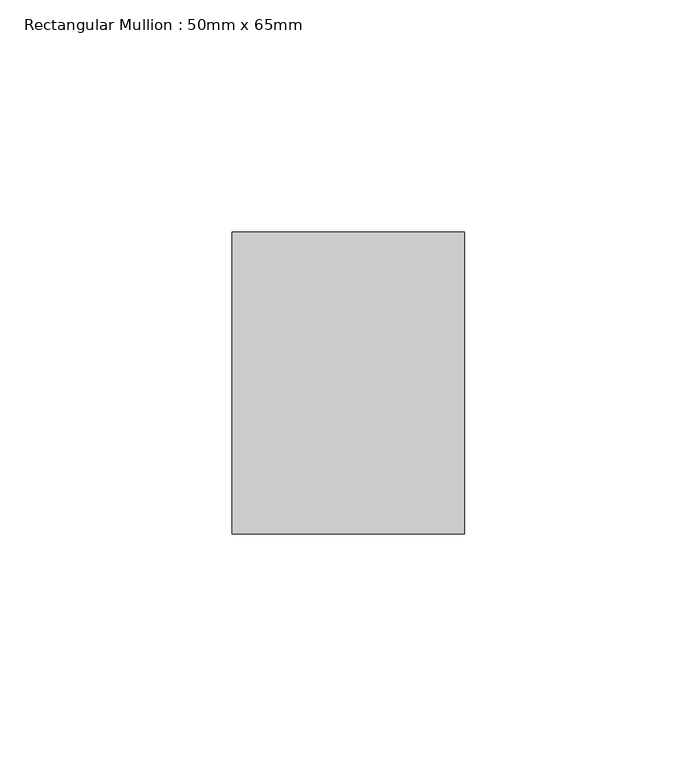
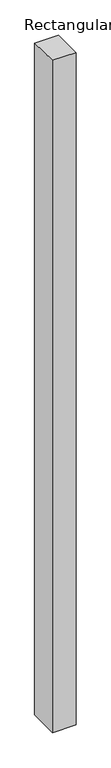
"""IFC4 building model written with IfcOpenShell, lengths in millimetres: member geometry, Rectangular Mullion : 50mm x 65mm."""

from ifc_helpers import new_model, si_unit, origin, place, context, project, spatial, faceted_brep, source, transform, mapped, element, save


def rectangular_mullion_50mm_x_65mm_fd317973(model_context):
    return source(origin(), model_context, "Body", "Brep", [
        faceted_brep([(-25.0, 32.5, -0.3536718), (25.0, 32.5, -0.353669), (25.0, 32.5, -1499.5481081), (-25.0, 32.5, -1499.5481045), (-25.0, -32.5, 0.353669), (-25.0, -32.5, -1500.4517341), (25.0, -32.5, 0.3536718), (25.0, -32.5, -1500.4517376)], [[[0, 1, 2, 3]], [[4, 0, 3, 5]], [[6, 4, 5, 7]], [[1, 6, 7, 2]], [[1, 0, 4, 6]], [[2, 7, 5, 3]]]),
    ])


if __name__ == "__main__":
    model = new_model("IFC4")
    model_context = context("Model", 3, world=origin())
    ifc_project = project(units=[si_unit("LENGTHUNIT", "METRE", prefix="MILLI")], contexts=[model_context])
    site = spatial("IfcSite", under=ifc_project)
    building = spatial("IfcBuilding", under=site)
    placement = place(None, origin())
    rectangular_mullion_50mm_x_65mm_shape = rectangular_mullion_50mm_x_65mm_fd317973(model_context)
    element("IfcMember", 1, ObjectType="Rectangular Mullion : 50mm x 65mm", at=placement, inside=building, context=model_context, shape_type="MappedRepresentation", body=[
        mapped(rectangular_mullion_50mm_x_65mm_shape, transform((0.0, 0.0, 0.0), x_axis=(1.0, 0.0, 0.0), y_axis=(0.0, 1.0, 0.0), z_axis=(0.0, 0.0, 1.0))),
    ])
    save(model, "model.ifc")
